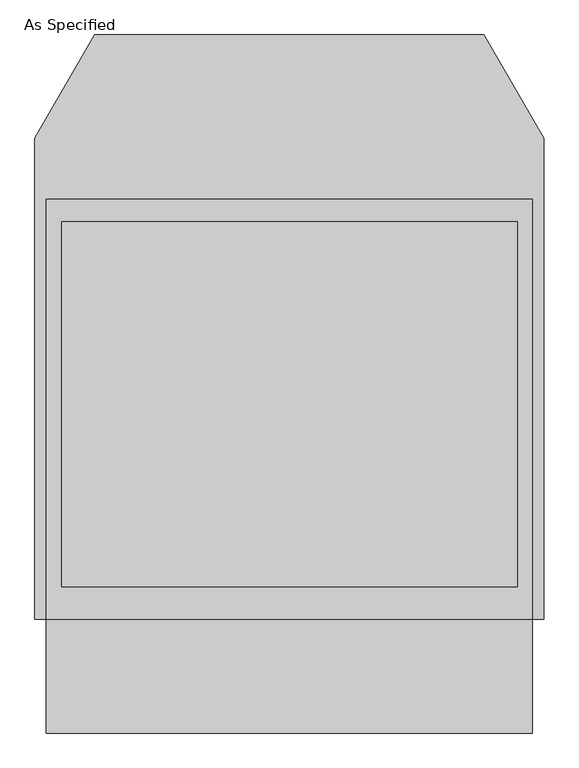
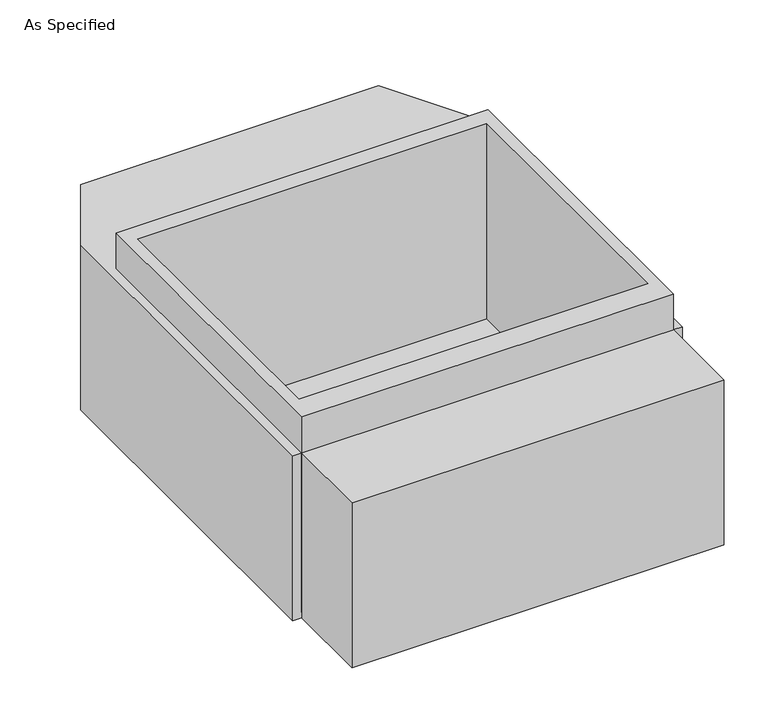
"""IFC4 building model written with IfcOpenShell, lengths in millimetres: proxy geometry, As Specified."""

from ifc_helpers import new_model, si_unit, frame, origin, place, context, project, spatial, polyline, outline, extrude, faceted_brep, source, transform, mapped, element, save


def as_specified_bd200915(model_context):
    return source(origin(), model_context, "Body", "SolidModel", [
        extrude(outline(polyline([(812.8, 617.8351562), (812.8, -785.5148438), (-812.8, -785.5148438), (-812.8, 617.8351562), (812.8, 617.8351562)]), holes=[polyline([(-762.0, 541.6748437), (-762.0, -677.5251563), (762.0, -677.5251563), (762.0, 541.6748437), (-762.0, 541.6748437)])]), frame((0.0, 0.0, -762.0), z_axis=(0.0, 0.0, 1.0), x_axis=(1.0, 0.0, 0.0)), (0.0, 0.0, 1.0), 901.7),
        faceted_brep([(812.8, -1166.5148438, -787.4), (-812.8, -1166.5148438, -787.4), (-812.8, -785.5148438, -787.4), (-850.9, -785.5148438, -787.4), (-850.9, 821.0748437, -787.4), (-651.460123, 1166.5148437, -787.4), (651.460123, 1166.5148437, -787.4), (850.9, 821.0748437, -787.4), (850.9, -785.5148438, -787.4), (812.8, -785.5148438, -787.4), (812.8, -1166.5148438, -25.4), (812.8, -785.5148438, -25.4), (850.9, -785.5148438, -25.4), (850.9, 821.0748437, -25.4), (651.460123, 1166.5148437, -25.4), (-651.460123, 1166.5148437, -25.4), (-850.9, 821.0748437, -25.4), (-850.9, -785.5148438, -25.4), (-812.8, -785.5148438, -25.4), (-812.8, -1166.5148438, -25.4), (762.0, 541.6748437, -25.4), (762.0, -677.5251563, -25.4), (-762.0, -677.5251563, -25.4), (-762.0, 541.6748437, -25.4), (762.0, 541.6748437, -762.0), (-762.0, 541.6748437, -762.0), (-762.0, -677.5251563, -762.0), (762.0, -677.5251563, -762.0)], [[[0, 1, 2, 3, 4, 5, 6, 7, 8, 9]], [[10, 11, 12, 13, 14, 15, 16, 17, 18, 19], [20, 21, 22, 23]], [[6, 5, 15, 14]], [[3, 17, 16, 4]], [[17, 3, 2, 18]], [[8, 12, 11, 9]], [[12, 8, 7, 13]], [[0, 9, 11, 10]], [[2, 1, 19, 18]], [[1, 0, 10, 19]], [[5, 4, 16, 15]], [[7, 6, 14, 13]], [[24, 25, 26, 27]], [[24, 27, 21, 20]], [[27, 26, 22, 21]], [[26, 25, 23, 22]], [[25, 24, 20, 23]]]),
    ])


if __name__ == "__main__":
    model = new_model("IFC4")
    model_context = context("Model", 3, world=origin())
    ifc_project = project(units=[si_unit("LENGTHUNIT", "METRE", prefix="MILLI")], contexts=[model_context])
    site = spatial("IfcSite", under=ifc_project)
    building = spatial("IfcBuilding", under=site)
    placement = place(None, origin())
    as_specified_shape = as_specified_bd200915(model_context)
    element("IfcBuildingElementProxy", 1, Name="As Specified", ObjectType="As Specified", at=placement, inside=building, context=model_context, shape_type="MappedRepresentation", body=[
        mapped(as_specified_shape, transform((0.0, 0.0, 0.0), x_axis=(1.0, 0.0, 0.0), y_axis=(0.0, 1.0, 0.0), z_axis=(0.0, 0.0, 1.0))),
    ])
    save(model, "model.ifc")
